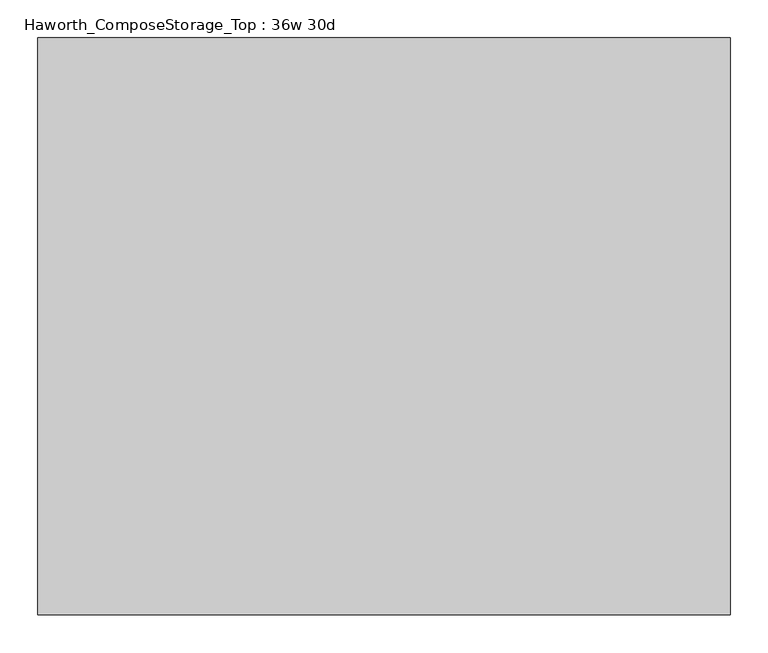
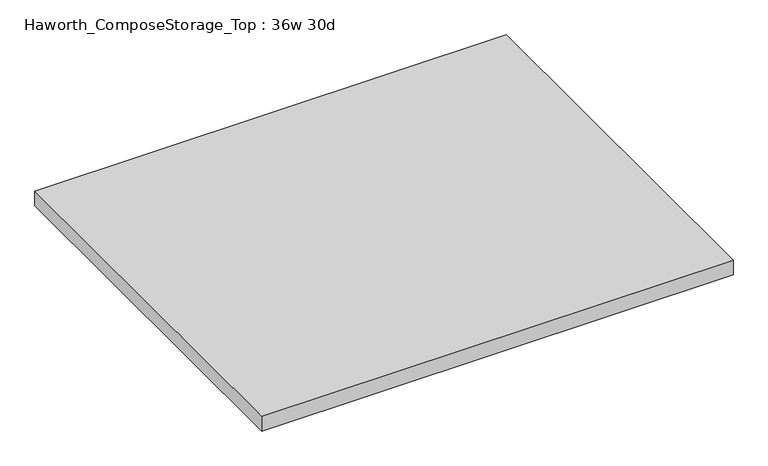
"""IFC4 building model written with IfcOpenShell, lengths in millimetres: furniture geometry, Haworth_ComposeStorage_Top : 36w 30d."""

from ifc_helpers import new_model, si_unit, frame, origin, place, context, project, spatial, polyline, outline, extrude, source, transform, mapped, element, save


def haworth_composestorage_top_36w_30d_940c4821(model_context):
    return source(origin(), model_context, "Body", "SweptSolid", [
        extrude(outline(polyline([(457.2, 381.0), (457.2, -381.0), (-457.2, -381.0), (-457.2, 381.0), (457.2, 381.0)])), frame((0.0, 0.0, 706.4375), z_axis=(0.0, 0.0, 1.0), x_axis=(1.0, 0.0, 0.0)), (0.0, 0.0, 1.0), 30.1625),
    ])


if __name__ == "__main__":
    model = new_model("IFC4")
    model_context = context("Model", 3, world=origin())
    ifc_project = project(units=[si_unit("LENGTHUNIT", "METRE", prefix="MILLI")], contexts=[model_context])
    site = spatial("IfcSite", under=ifc_project)
    building = spatial("IfcBuilding", under=site)
    placement = place(None, origin())
    haworth_composestorage_top_36w_30d_shape = haworth_composestorage_top_36w_30d_940c4821(model_context)
    element("IfcFurniture", 1, ObjectType="Haworth_ComposeStorage_Top : 36w 30d", at=placement, inside=building, context=model_context, shape_type="MappedRepresentation", body=[
        mapped(haworth_composestorage_top_36w_30d_shape, transform((0.0, 0.0, 0.0), x_axis=(1.0, 0.0, 0.0), y_axis=(0.0, 1.0, 0.0), z_axis=(0.0, 0.0, 1.0))),
    ])
    save(model, "model.ifc")
